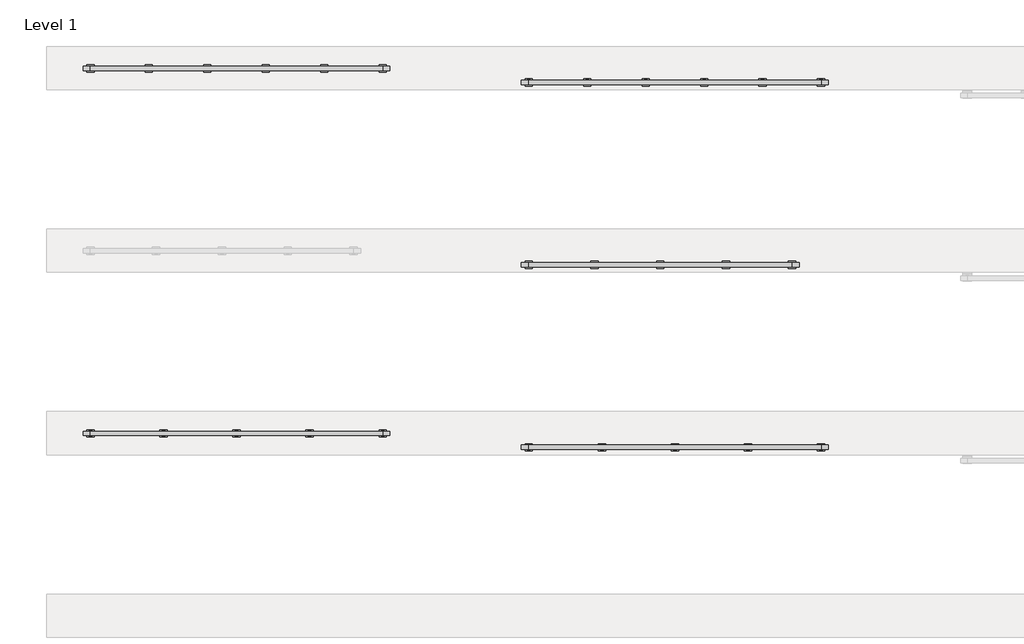
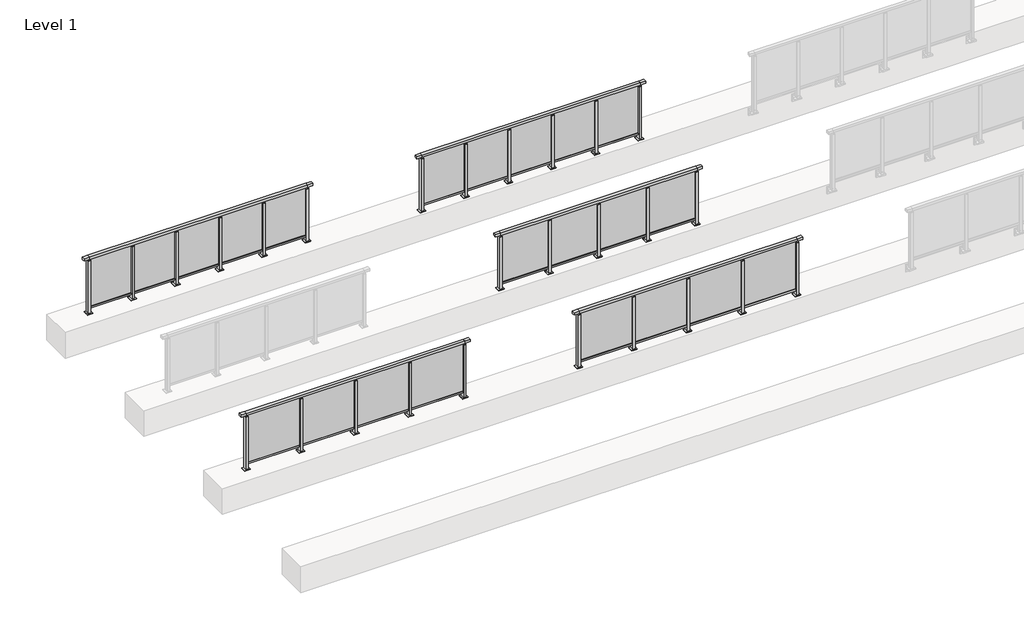
# One storey, part 24 of 37: 5 railings.
"""IFC4 building model written with IfcOpenShell, lengths in millimetres."""

from ifc_helpers import new_model, si_unit, frame, origin, origin_with_axes, place, context, project, spatial, polyline, outline, extrude, faceted_brep, element, save

model = new_model("IFC4")

# Units and contexts
model_context = context("Model", 3, world=origin())
ifc_project = project(units=[si_unit("LENGTHUNIT", "METRE", prefix="MILLI")], contexts=[model_context])

# Site, building, storey
site = spatial("IfcSite", under=ifc_project)
building = spatial("IfcBuilding", under=site)
storey = spatial("IfcBuildingStorey", under=building, Name="Level 1", Elevation=0.0)

# Railings
placement = place(None, origin())
element("IfcRailing", 1, at=placement, inside=storey, context=model_context, shape_type="SolidModel", body=[
    faceted_brep([(30000.0, 32720.1846828, 1055.0), (30000.0, 32720.1846828, 1100.0), (34000.0, 32720.1846828, 1100.0), (34000.0, 32720.1846828, 1055.0), (30000.0, 32660.1846828, 1055.0), (34000.0, 32660.1846828, 1055.0), (30000.0, 32660.1846828, 1100.0), (34000.0, 32660.1846828, 1100.0), (29900.0, 32720.1846828, 1100.0), (29900.0, 32720.1846828, 1055.0), (29900.0, 32660.1846828, 1055.0), (29900.0, 32660.1846828, 1100.0), (34100.0, 32720.1846828, 1100.0), (34100.0, 32660.1846828, 1100.0), (34100.0, 32660.1846828, 1055.0), (34100.0, 32720.1846828, 1055.0)], [[[0, 1, 2, 3]], [[4, 0, 3, 5]], [[6, 4, 5, 7]], [[1, 6, 7, 2]], [[8, 9, 10, 11]], [[9, 8, 1, 0]], [[10, 9, 0, 4]], [[11, 10, 4, 6]], [[8, 11, 6, 1]], [[12, 13, 14, 15]], [[3, 2, 12, 15]], [[5, 3, 15, 14]], [[7, 5, 14, 13]], [[2, 7, 13, 12]]]),
    extrude(outline(polyline([(30000.0, 32672.6846828), (30000.0, 32707.6846828), (34000.0, 32707.6846828), (34000.0, 32672.6846828), (30000.0, 32672.6846828)])), frame((0.0, 0.0, 95.0), z_axis=(0.0, 0.0, 1.0), x_axis=(1.0, 0.0, 0.0)), (0.0, 0.0, 1.0), 30.0),
    extrude(outline(polyline([(33010.0, 32690.9598727), (33990.0, 32690.9598727), (33990.0, 32680.9598727), (33010.0, 32680.9598727), (33010.0, 32690.9598727)])), frame((0.0, 0.0, 125.0), z_axis=(0.0, 0.0, 1.0), x_axis=(1.0, 0.0, 0.0)), (0.0, 0.0, 1.0), 930.0),
    extrude(outline(polyline([(33010.0, 32680.1846828), (32990.0, 32680.1846828), (32990.0, 32700.1846828), (33010.0, 32700.1846828), (33010.0, 32680.1846828)])), frame((0.0, 0.0, 1035.0), z_axis=(0.0, 0.0, 1.0), x_axis=(1.0, 0.0, 0.0)), (0.0, 0.0, 1.0), 20.0),
    extrude(outline(polyline([(33022.5, 32657.6846828), (32977.5, 32657.6846828), (32977.5, 32722.6846828), (33022.5, 32722.6846828), (33022.5, 32657.6846828)])), frame((0.0, 0.0, 1027.0), z_axis=(0.0, 0.0, 1.0), x_axis=(1.0, 0.0, 0.0)), (0.0, 0.0, 1.0), 8.0),
    extrude(outline(polyline([(33050.0, 32640.1846828), (32950.0, 32640.1846828), (32950.0, 32740.1846828), (33050.0, 32740.1846828), (33050.0, 32640.1846828)])), origin_with_axes(), (0.0, 0.0, 1.0), 12.0),
    extrude(outline(polyline([(33022.5, 32657.6846828), (32977.5, 32657.6846828), (32977.5, 32722.6846828), (33022.5, 32722.6846828), (33022.5, 32657.6846828)])), frame((0.0, 0.0, 12.0), z_axis=(0.0, 0.0, 1.0), x_axis=(1.0, 0.0, 0.0)), (0.0, 0.0, 1.0), 1015.0),
    extrude(outline(polyline([(32010.0, 32690.9598727), (32990.0, 32690.9598727), (32990.0, 32680.9598727), (32010.0, 32680.9598727), (32010.0, 32690.9598727)])), frame((0.0, 0.0, 125.0), z_axis=(0.0, 0.0, 1.0), x_axis=(1.0, 0.0, 0.0)), (0.0, 0.0, 1.0), 930.0),
    extrude(outline(polyline([(32010.0, 32680.1846828), (31990.0, 32680.1846828), (31990.0, 32700.1846828), (32010.0, 32700.1846828), (32010.0, 32680.1846828)])), frame((0.0, 0.0, 1035.0), z_axis=(0.0, 0.0, 1.0), x_axis=(1.0, 0.0, 0.0)), (0.0, 0.0, 1.0), 20.0),
    extrude(outline(polyline([(32022.5, 32657.6846828), (31977.5, 32657.6846828), (31977.5, 32722.6846828), (32022.5, 32722.6846828), (32022.5, 32657.6846828)])), frame((0.0, 0.0, 1027.0), z_axis=(0.0, 0.0, 1.0), x_axis=(1.0, 0.0, 0.0)), (0.0, 0.0, 1.0), 8.0),
    extrude(outline(polyline([(32050.0, 32640.1846828), (31950.0, 32640.1846828), (31950.0, 32740.1846828), (32050.0, 32740.1846828), (32050.0, 32640.1846828)])), origin_with_axes(), (0.0, 0.0, 1.0), 12.0),
    extrude(outline(polyline([(32022.5, 32657.6846828), (31977.5, 32657.6846828), (31977.5, 32722.6846828), (32022.5, 32722.6846828), (32022.5, 32657.6846828)])), frame((0.0, 0.0, 12.0), z_axis=(0.0, 0.0, 1.0), x_axis=(1.0, 0.0, 0.0)), (0.0, 0.0, 1.0), 1015.0),
    extrude(outline(polyline([(31010.0, 32690.9598727), (31990.0, 32690.9598727), (31990.0, 32680.9598727), (31010.0, 32680.9598727), (31010.0, 32690.9598727)])), frame((0.0, 0.0, 125.0), z_axis=(0.0, 0.0, 1.0), x_axis=(1.0, 0.0, 0.0)), (0.0, 0.0, 1.0), 930.0),
    extrude(outline(polyline([(31010.0, 32680.1846828), (30990.0, 32680.1846828), (30990.0, 32700.1846828), (31010.0, 32700.1846828), (31010.0, 32680.1846828)])), frame((0.0, 0.0, 1035.0), z_axis=(0.0, 0.0, 1.0), x_axis=(1.0, 0.0, 0.0)), (0.0, 0.0, 1.0), 20.0),
    extrude(outline(polyline([(31022.5, 32657.6846828), (30977.5, 32657.6846828), (30977.5, 32722.6846828), (31022.5, 32722.6846828), (31022.5, 32657.6846828)])), frame((0.0, 0.0, 1027.0), z_axis=(0.0, 0.0, 1.0), x_axis=(1.0, 0.0, 0.0)), (0.0, 0.0, 1.0), 8.0),
    extrude(outline(polyline([(31050.0, 32640.1846828), (30950.0, 32640.1846828), (30950.0, 32740.1846828), (31050.0, 32740.1846828), (31050.0, 32640.1846828)])), origin_with_axes(), (0.0, 0.0, 1.0), 12.0),
    extrude(outline(polyline([(31022.5, 32657.6846828), (30977.5, 32657.6846828), (30977.5, 32722.6846828), (31022.5, 32722.6846828), (31022.5, 32657.6846828)])), frame((0.0, 0.0, 12.0), z_axis=(0.0, 0.0, 1.0), x_axis=(1.0, 0.0, 0.0)), (0.0, 0.0, 1.0), 1015.0),
    extrude(outline(polyline([(30010.0, 32690.9598727), (30990.0, 32690.9598727), (30990.0, 32680.9598727), (30010.0, 32680.9598727), (30010.0, 32690.9598727)])), frame((0.0, 0.0, 125.0), z_axis=(0.0, 0.0, 1.0), x_axis=(1.0, 0.0, 0.0)), (0.0, 0.0, 1.0), 930.0),
    extrude(outline(polyline([(34010.0, 32680.1846828), (33990.0, 32680.1846828), (33990.0, 32700.1846828), (34010.0, 32700.1846828), (34010.0, 32680.1846828)])), frame((0.0, 0.0, 1035.0), z_axis=(0.0, 0.0, 1.0), x_axis=(1.0, 0.0, 0.0)), (0.0, 0.0, 1.0), 20.0),
    extrude(outline(polyline([(34022.5, 32657.6846828), (33977.5, 32657.6846828), (33977.5, 32722.6846828), (34022.5, 32722.6846828), (34022.5, 32657.6846828)])), frame((0.0, 0.0, 1027.0), z_axis=(0.0, 0.0, 1.0), x_axis=(1.0, 0.0, 0.0)), (0.0, 0.0, 1.0), 8.0),
    extrude(outline(polyline([(34050.0, 32640.1846828), (33950.0, 32640.1846828), (33950.0, 32740.1846828), (34050.0, 32740.1846828), (34050.0, 32640.1846828)])), origin_with_axes(), (0.0, 0.0, 1.0), 12.0),
    extrude(outline(polyline([(34022.5, 32657.6846828), (33977.5, 32657.6846828), (33977.5, 32722.6846828), (34022.5, 32722.6846828), (34022.5, 32657.6846828)])), frame((0.0, 0.0, 12.0), z_axis=(0.0, 0.0, 1.0), x_axis=(1.0, 0.0, 0.0)), (0.0, 0.0, 1.0), 1015.0),
    extrude(outline(polyline([(30010.0, 32680.1846828), (29990.0, 32680.1846828), (29990.0, 32700.1846828), (30010.0, 32700.1846828), (30010.0, 32680.1846828)])), frame((0.0, 0.0, 1035.0), z_axis=(0.0, 0.0, 1.0), x_axis=(1.0, 0.0, 0.0)), (0.0, 0.0, 1.0), 20.0),
    extrude(outline(polyline([(30022.5, 32657.6846828), (29977.5, 32657.6846828), (29977.5, 32722.6846828), (30022.5, 32722.6846828), (30022.5, 32657.6846828)])), frame((0.0, 0.0, 1027.0), z_axis=(0.0, 0.0, 1.0), x_axis=(1.0, 0.0, 0.0)), (0.0, 0.0, 1.0), 8.0),
    extrude(outline(polyline([(30050.0, 32640.1846828), (29950.0, 32640.1846828), (29950.0, 32740.1846828), (30050.0, 32740.1846828), (30050.0, 32640.1846828)])), origin_with_axes(), (0.0, 0.0, 1.0), 12.0),
    extrude(outline(polyline([(30022.5, 32657.6846828), (29977.5, 32657.6846828), (29977.5, 32722.6846828), (30022.5, 32722.6846828), (30022.5, 32657.6846828)])), frame((0.0, 0.0, 12.0), z_axis=(0.0, 0.0, 1.0), x_axis=(1.0, 0.0, 0.0)), (0.0, 0.0, 1.0), 1015.0),
])
element("IfcRailing", 2, at=placement, inside=storey, context=model_context, shape_type="SolidModel", body=[
    faceted_brep([(36000.0, 32530.1846828, 1055.0), (36000.0, 32530.1846828, 1100.0), (40000.0, 32530.1846828, 1100.0), (40000.0, 32530.1846828, 1055.0), (36000.0, 32470.1846828, 1055.0), (40000.0, 32470.1846828, 1055.0), (36000.0, 32470.1846828, 1100.0), (40000.0, 32470.1846828, 1100.0), (35900.0, 32530.1846828, 1100.0), (35900.0, 32530.1846828, 1055.0), (35900.0, 32470.1846828, 1055.0), (35900.0, 32470.1846828, 1100.0), (40100.0, 32530.1846828, 1100.0), (40100.0, 32470.1846828, 1100.0), (40100.0, 32470.1846828, 1055.0), (40100.0, 32530.1846828, 1055.0)], [[[0, 1, 2, 3]], [[4, 0, 3, 5]], [[6, 4, 5, 7]], [[1, 6, 7, 2]], [[8, 9, 10, 11]], [[9, 8, 1, 0]], [[10, 9, 0, 4]], [[11, 10, 4, 6]], [[8, 11, 6, 1]], [[12, 13, 14, 15]], [[3, 2, 12, 15]], [[5, 3, 15, 14]], [[7, 5, 14, 13]], [[2, 7, 13, 12]]]),
    extrude(outline(polyline([(36000.0, 32482.6846828), (36000.0, 32517.6846828), (40000.0, 32517.6846828), (40000.0, 32482.6846828), (36000.0, 32482.6846828)])), frame((0.0, 0.0, 95.0), z_axis=(0.0, 0.0, 1.0), x_axis=(1.0, 0.0, 0.0)), (0.0, 0.0, 1.0), 30.0),
    extrude(outline(polyline([(39010.0, 32505.9598727), (39990.0, 32505.9598727), (39990.0, 32495.9598727), (39010.0, 32495.9598727), (39010.0, 32505.9598727)])), frame((0.0, 0.0, 125.0), z_axis=(0.0, 0.0, 1.0), x_axis=(1.0, 0.0, 0.0)), (0.0, 0.0, 1.0), 930.0),
    extrude(outline(polyline([(39010.0, 32490.1846828), (38990.0, 32490.1846828), (38990.0, 32510.1846828), (39010.0, 32510.1846828), (39010.0, 32490.1846828)])), frame((0.0, 0.0, 1035.0), z_axis=(0.0, 0.0, 1.0), x_axis=(1.0, 0.0, 0.0)), (0.0, 0.0, 1.0), 20.0),
    extrude(outline(polyline([(39022.5, 32467.6846828), (38977.5, 32467.6846828), (38977.5, 32532.6846828), (39022.5, 32532.6846828), (39022.5, 32467.6846828)])), frame((0.0, 0.0, 1027.0), z_axis=(0.0, 0.0, 1.0), x_axis=(1.0, 0.0, 0.0)), (0.0, 0.0, 1.0), 8.0),
    extrude(outline(polyline([(39050.0, 32450.1846828), (38950.0, 32450.1846828), (38950.0, 32550.1846828), (39050.0, 32550.1846828), (39050.0, 32450.1846828)])), origin_with_axes(), (0.0, 0.0, 1.0), 12.0),
    extrude(outline(polyline([(39022.5, 32467.6846828), (38977.5, 32467.6846828), (38977.5, 32532.6846828), (39022.5, 32532.6846828), (39022.5, 32467.6846828)])), frame((0.0, 0.0, 12.0), z_axis=(0.0, 0.0, 1.0), x_axis=(1.0, 0.0, 0.0)), (0.0, 0.0, 1.0), 1015.0),
    extrude(outline(polyline([(38010.0, 32505.9598727), (38990.0, 32505.9598727), (38990.0, 32495.9598727), (38010.0, 32495.9598727), (38010.0, 32505.9598727)])), frame((0.0, 0.0, 125.0), z_axis=(0.0, 0.0, 1.0), x_axis=(1.0, 0.0, 0.0)), (0.0, 0.0, 1.0), 930.0),
    extrude(outline(polyline([(38010.0, 32490.1846828), (37990.0, 32490.1846828), (37990.0, 32510.1846828), (38010.0, 32510.1846828), (38010.0, 32490.1846828)])), frame((0.0, 0.0, 1035.0), z_axis=(0.0, 0.0, 1.0), x_axis=(1.0, 0.0, 0.0)), (0.0, 0.0, 1.0), 20.0),
    extrude(outline(polyline([(38022.5, 32467.6846828), (37977.5, 32467.6846828), (37977.5, 32532.6846828), (38022.5, 32532.6846828), (38022.5, 32467.6846828)])), frame((0.0, 0.0, 1027.0), z_axis=(0.0, 0.0, 1.0), x_axis=(1.0, 0.0, 0.0)), (0.0, 0.0, 1.0), 8.0),
    extrude(outline(polyline([(38050.0, 32450.1846828), (37950.0, 32450.1846828), (37950.0, 32550.1846828), (38050.0, 32550.1846828), (38050.0, 32450.1846828)])), origin_with_axes(), (0.0, 0.0, 1.0), 12.0),
    extrude(outline(polyline([(38022.5, 32467.6846828), (37977.5, 32467.6846828), (37977.5, 32532.6846828), (38022.5, 32532.6846828), (38022.5, 32467.6846828)])), frame((0.0, 0.0, 12.0), z_axis=(0.0, 0.0, 1.0), x_axis=(1.0, 0.0, 0.0)), (0.0, 0.0, 1.0), 1015.0),
    extrude(outline(polyline([(37010.0, 32505.9598727), (37990.0, 32505.9598727), (37990.0, 32495.9598727), (37010.0, 32495.9598727), (37010.0, 32505.9598727)])), frame((0.0, 0.0, 125.0), z_axis=(0.0, 0.0, 1.0), x_axis=(1.0, 0.0, 0.0)), (0.0, 0.0, 1.0), 930.0),
    extrude(outline(polyline([(37010.0, 32490.1846828), (36990.0, 32490.1846828), (36990.0, 32510.1846828), (37010.0, 32510.1846828), (37010.0, 32490.1846828)])), frame((0.0, 0.0, 1035.0), z_axis=(0.0, 0.0, 1.0), x_axis=(1.0, 0.0, 0.0)), (0.0, 0.0, 1.0), 20.0),
    extrude(outline(polyline([(37022.5, 32467.6846828), (36977.5, 32467.6846828), (36977.5, 32532.6846828), (37022.5, 32532.6846828), (37022.5, 32467.6846828)])), frame((0.0, 0.0, 1027.0), z_axis=(0.0, 0.0, 1.0), x_axis=(1.0, 0.0, 0.0)), (0.0, 0.0, 1.0), 8.0),
    extrude(outline(polyline([(37050.0, 32450.1846828), (36950.0, 32450.1846828), (36950.0, 32550.1846828), (37050.0, 32550.1846828), (37050.0, 32450.1846828)])), origin_with_axes(), (0.0, 0.0, 1.0), 12.0),
    extrude(outline(polyline([(37022.5, 32467.6846828), (36977.5, 32467.6846828), (36977.5, 32532.6846828), (37022.5, 32532.6846828), (37022.5, 32467.6846828)])), frame((0.0, 0.0, 12.0), z_axis=(0.0, 0.0, 1.0), x_axis=(1.0, 0.0, 0.0)), (0.0, 0.0, 1.0), 1015.0),
    extrude(outline(polyline([(36010.0, 32505.9598727), (36990.0, 32505.9598727), (36990.0, 32495.9598727), (36010.0, 32495.9598727), (36010.0, 32505.9598727)])), frame((0.0, 0.0, 125.0), z_axis=(0.0, 0.0, 1.0), x_axis=(1.0, 0.0, 0.0)), (0.0, 0.0, 1.0), 930.0),
    extrude(outline(polyline([(40010.0, 32490.1846828), (39990.0, 32490.1846828), (39990.0, 32510.1846828), (40010.0, 32510.1846828), (40010.0, 32490.1846828)])), frame((0.0, 0.0, 1035.0), z_axis=(0.0, 0.0, 1.0), x_axis=(1.0, 0.0, 0.0)), (0.0, 0.0, 1.0), 20.0),
    extrude(outline(polyline([(40022.5, 32467.6846828), (39977.5, 32467.6846828), (39977.5, 32532.6846828), (40022.5, 32532.6846828), (40022.5, 32467.6846828)])), frame((0.0, 0.0, 1027.0), z_axis=(0.0, 0.0, 1.0), x_axis=(1.0, 0.0, 0.0)), (0.0, 0.0, 1.0), 8.0),
    extrude(outline(polyline([(40050.0, 32450.1846828), (39950.0, 32450.1846828), (39950.0, 32550.1846828), (40050.0, 32550.1846828), (40050.0, 32450.1846828)])), origin_with_axes(), (0.0, 0.0, 1.0), 12.0),
    extrude(outline(polyline([(40022.5, 32467.6846828), (39977.5, 32467.6846828), (39977.5, 32532.6846828), (40022.5, 32532.6846828), (40022.5, 32467.6846828)])), frame((0.0, 0.0, 12.0), z_axis=(0.0, 0.0, 1.0), x_axis=(1.0, 0.0, 0.0)), (0.0, 0.0, 1.0), 1015.0),
    extrude(outline(polyline([(36010.0, 32490.1846828), (35990.0, 32490.1846828), (35990.0, 32510.1846828), (36010.0, 32510.1846828), (36010.0, 32490.1846828)])), frame((0.0, 0.0, 1035.0), z_axis=(0.0, 0.0, 1.0), x_axis=(1.0, 0.0, 0.0)), (0.0, 0.0, 1.0), 20.0),
    extrude(outline(polyline([(36022.5, 32467.6846828), (35977.5, 32467.6846828), (35977.5, 32532.6846828), (36022.5, 32532.6846828), (36022.5, 32467.6846828)])), frame((0.0, 0.0, 1027.0), z_axis=(0.0, 0.0, 1.0), x_axis=(1.0, 0.0, 0.0)), (0.0, 0.0, 1.0), 8.0),
    extrude(outline(polyline([(36050.0, 32450.1846828), (35950.0, 32450.1846828), (35950.0, 32550.1846828), (36050.0, 32550.1846828), (36050.0, 32450.1846828)])), origin_with_axes(), (0.0, 0.0, 1.0), 12.0),
    extrude(outline(polyline([(36022.5, 32467.6846828), (35977.5, 32467.6846828), (35977.5, 32532.6846828), (36022.5, 32532.6846828), (36022.5, 32467.6846828)])), frame((0.0, 0.0, 12.0), z_axis=(0.0, 0.0, 1.0), x_axis=(1.0, 0.0, 0.0)), (0.0, 0.0, 1.0), 1015.0),
])
element("IfcRailing", 3, at=placement, inside=storey, context=model_context, shape_type="SolidModel", body=[
    faceted_brep([(36000.0, 35030.1846828, 1055.0), (36000.0, 35030.1846828, 1100.0), (39600.0, 35030.1846828, 1100.0), (39600.0, 35030.1846828, 1055.0), (36000.0, 34970.1846828, 1055.0), (39600.0, 34970.1846828, 1055.0), (36000.0, 34970.1846828, 1100.0), (39600.0, 34970.1846828, 1100.0), (35900.0, 35030.1846828, 1100.0), (35900.0, 35030.1846828, 1055.0), (35900.0, 34970.1846828, 1055.0), (35900.0, 34970.1846828, 1100.0), (39700.0, 35030.1846828, 1100.0), (39700.0, 34970.1846828, 1100.0), (39700.0, 34970.1846828, 1055.0), (39700.0, 35030.1846828, 1055.0)], [[[0, 1, 2, 3]], [[4, 0, 3, 5]], [[6, 4, 5, 7]], [[1, 6, 7, 2]], [[8, 9, 10, 11]], [[9, 8, 1, 0]], [[10, 9, 0, 4]], [[11, 10, 4, 6]], [[8, 11, 6, 1]], [[12, 13, 14, 15]], [[3, 2, 12, 15]], [[5, 3, 15, 14]], [[7, 5, 14, 13]], [[2, 7, 13, 12]]]),
    extrude(outline(polyline([(36000.0, 34982.6846828), (36000.0, 35017.6846828), (39600.0, 35017.6846828), (39600.0, 34982.6846828), (36000.0, 34982.6846828)])), frame((0.0, 0.0, 95.0), z_axis=(0.0, 0.0, 1.0), x_axis=(1.0, 0.0, 0.0)), (0.0, 0.0, 1.0), 30.0),
    extrude(outline(polyline([(38710.0, 35005.9598727), (39590.0, 35005.9598727), (39590.0, 34995.9598727), (38710.0, 34995.9598727), (38710.0, 35005.9598727)])), frame((0.0, 0.0, 125.0), z_axis=(0.0, 0.0, 1.0), x_axis=(1.0, 0.0, 0.0)), (0.0, 0.0, 1.0), 930.0),
    extrude(outline(polyline([(38710.0, 34990.1846828), (38690.0, 34990.1846828), (38690.0, 35010.1846828), (38710.0, 35010.1846828), (38710.0, 34990.1846828)])), frame((0.0, 0.0, 1035.0), z_axis=(0.0, 0.0, 1.0), x_axis=(1.0, 0.0, 0.0)), (0.0, 0.0, 1.0), 20.0),
    extrude(outline(polyline([(38722.5, 34967.6846828), (38677.5, 34967.6846828), (38677.5, 35032.6846828), (38722.5, 35032.6846828), (38722.5, 34967.6846828)])), frame((0.0, 0.0, 1027.0), z_axis=(0.0, 0.0, 1.0), x_axis=(1.0, 0.0, 0.0)), (0.0, 0.0, 1.0), 8.0),
    extrude(outline(polyline([(38750.0, 34950.1846828), (38650.0, 34950.1846828), (38650.0, 35050.1846828), (38750.0, 35050.1846828), (38750.0, 34950.1846828)])), origin_with_axes(), (0.0, 0.0, 1.0), 12.0),
    extrude(outline(polyline([(38722.5, 34967.6846828), (38677.5, 34967.6846828), (38677.5, 35032.6846828), (38722.5, 35032.6846828), (38722.5, 34967.6846828)])), frame((0.0, 0.0, 12.0), z_axis=(0.0, 0.0, 1.0), x_axis=(1.0, 0.0, 0.0)), (0.0, 0.0, 1.0), 1015.0),
    extrude(outline(polyline([(37810.0, 35005.9598727), (38690.0, 35005.9598727), (38690.0, 34995.9598727), (37810.0, 34995.9598727), (37810.0, 35005.9598727)])), frame((0.0, 0.0, 125.0), z_axis=(0.0, 0.0, 1.0), x_axis=(1.0, 0.0, 0.0)), (0.0, 0.0, 1.0), 930.0),
    extrude(outline(polyline([(37810.0, 34990.1846828), (37790.0, 34990.1846828), (37790.0, 35010.1846828), (37810.0, 35010.1846828), (37810.0, 34990.1846828)])), frame((0.0, 0.0, 1035.0), z_axis=(0.0, 0.0, 1.0), x_axis=(1.0, 0.0, 0.0)), (0.0, 0.0, 1.0), 20.0),
    extrude(outline(polyline([(37822.5, 34967.6846828), (37777.5, 34967.6846828), (37777.5, 35032.6846828), (37822.5, 35032.6846828), (37822.5, 34967.6846828)])), frame((0.0, 0.0, 1027.0), z_axis=(0.0, 0.0, 1.0), x_axis=(1.0, 0.0, 0.0)), (0.0, 0.0, 1.0), 8.0),
    extrude(outline(polyline([(37850.0, 34950.1846828), (37750.0, 34950.1846828), (37750.0, 35050.1846828), (37850.0, 35050.1846828), (37850.0, 34950.1846828)])), origin_with_axes(), (0.0, 0.0, 1.0), 12.0),
    extrude(outline(polyline([(37822.5, 34967.6846828), (37777.5, 34967.6846828), (37777.5, 35032.6846828), (37822.5, 35032.6846828), (37822.5, 34967.6846828)])), frame((0.0, 0.0, 12.0), z_axis=(0.0, 0.0, 1.0), x_axis=(1.0, 0.0, 0.0)), (0.0, 0.0, 1.0), 1015.0),
    extrude(outline(polyline([(36910.0, 35005.9598727), (37790.0, 35005.9598727), (37790.0, 34995.9598727), (36910.0, 34995.9598727), (36910.0, 35005.9598727)])), frame((0.0, 0.0, 125.0), z_axis=(0.0, 0.0, 1.0), x_axis=(1.0, 0.0, 0.0)), (0.0, 0.0, 1.0), 930.0),
    extrude(outline(polyline([(36910.0, 34990.1846828), (36890.0, 34990.1846828), (36890.0, 35010.1846828), (36910.0, 35010.1846828), (36910.0, 34990.1846828)])), frame((0.0, 0.0, 1035.0), z_axis=(0.0, 0.0, 1.0), x_axis=(1.0, 0.0, 0.0)), (0.0, 0.0, 1.0), 20.0),
    extrude(outline(polyline([(36922.5, 34967.6846828), (36877.5, 34967.6846828), (36877.5, 35032.6846828), (36922.5, 35032.6846828), (36922.5, 34967.6846828)])), frame((0.0, 0.0, 1027.0), z_axis=(0.0, 0.0, 1.0), x_axis=(1.0, 0.0, 0.0)), (0.0, 0.0, 1.0), 8.0),
    extrude(outline(polyline([(36950.0, 34950.1846828), (36850.0, 34950.1846828), (36850.0, 35050.1846828), (36950.0, 35050.1846828), (36950.0, 34950.1846828)])), origin_with_axes(), (0.0, 0.0, 1.0), 12.0),
    extrude(outline(polyline([(36922.5, 34967.6846828), (36877.5, 34967.6846828), (36877.5, 35032.6846828), (36922.5, 35032.6846828), (36922.5, 34967.6846828)])), frame((0.0, 0.0, 12.0), z_axis=(0.0, 0.0, 1.0), x_axis=(1.0, 0.0, 0.0)), (0.0, 0.0, 1.0), 1015.0),
    extrude(outline(polyline([(36010.0, 35005.9598727), (36890.0, 35005.9598727), (36890.0, 34995.9598727), (36010.0, 34995.9598727), (36010.0, 35005.9598727)])), frame((0.0, 0.0, 125.0), z_axis=(0.0, 0.0, 1.0), x_axis=(1.0, 0.0, 0.0)), (0.0, 0.0, 1.0), 930.0),
    extrude(outline(polyline([(39610.0, 34990.1846828), (39590.0, 34990.1846828), (39590.0, 35010.1846828), (39610.0, 35010.1846828), (39610.0, 34990.1846828)])), frame((0.0, 0.0, 1035.0), z_axis=(0.0, 0.0, 1.0), x_axis=(1.0, 0.0, 0.0)), (0.0, 0.0, 1.0), 20.0),
    extrude(outline(polyline([(39622.5, 34967.6846828), (39577.5, 34967.6846828), (39577.5, 35032.6846828), (39622.5, 35032.6846828), (39622.5, 34967.6846828)])), frame((0.0, 0.0, 1027.0), z_axis=(0.0, 0.0, 1.0), x_axis=(1.0, 0.0, 0.0)), (0.0, 0.0, 1.0), 8.0),
    extrude(outline(polyline([(39650.0, 34950.1846828), (39550.0, 34950.1846828), (39550.0, 35050.1846828), (39650.0, 35050.1846828), (39650.0, 34950.1846828)])), origin_with_axes(), (0.0, 0.0, 1.0), 12.0),
    extrude(outline(polyline([(39622.5, 34967.6846828), (39577.5, 34967.6846828), (39577.5, 35032.6846828), (39622.5, 35032.6846828), (39622.5, 34967.6846828)])), frame((0.0, 0.0, 12.0), z_axis=(0.0, 0.0, 1.0), x_axis=(1.0, 0.0, 0.0)), (0.0, 0.0, 1.0), 1015.0),
    extrude(outline(polyline([(36010.0, 34990.1846828), (35990.0, 34990.1846828), (35990.0, 35010.1846828), (36010.0, 35010.1846828), (36010.0, 34990.1846828)])), frame((0.0, 0.0, 1035.0), z_axis=(0.0, 0.0, 1.0), x_axis=(1.0, 0.0, 0.0)), (0.0, 0.0, 1.0), 20.0),
    extrude(outline(polyline([(36022.5, 34967.6846828), (35977.5, 34967.6846828), (35977.5, 35032.6846828), (36022.5, 35032.6846828), (36022.5, 34967.6846828)])), frame((0.0, 0.0, 1027.0), z_axis=(0.0, 0.0, 1.0), x_axis=(1.0, 0.0, 0.0)), (0.0, 0.0, 1.0), 8.0),
    extrude(outline(polyline([(36050.0, 34950.1846828), (35950.0, 34950.1846828), (35950.0, 35050.1846828), (36050.0, 35050.1846828), (36050.0, 34950.1846828)])), origin_with_axes(), (0.0, 0.0, 1.0), 12.0),
    extrude(outline(polyline([(36022.5, 34967.6846828), (35977.5, 34967.6846828), (35977.5, 35032.6846828), (36022.5, 35032.6846828), (36022.5, 34967.6846828)])), frame((0.0, 0.0, 12.0), z_axis=(0.0, 0.0, 1.0), x_axis=(1.0, 0.0, 0.0)), (0.0, 0.0, 1.0), 1015.0),
])
element("IfcRailing", 4, at=placement, inside=storey, context=model_context, shape_type="SolidModel", body=[
    faceted_brep([(30000.0, 37720.1846828, 1055.0), (30000.0, 37720.1846828, 1100.0), (34000.0, 37720.1846828, 1100.0), (34000.0, 37720.1846828, 1055.0), (30000.0, 37660.1846828, 1055.0), (34000.0, 37660.1846828, 1055.0), (30000.0, 37660.1846828, 1100.0), (34000.0, 37660.1846828, 1100.0), (29900.0, 37720.1846828, 1100.0), (29900.0, 37720.1846828, 1055.0), (29900.0, 37660.1846828, 1055.0), (29900.0, 37660.1846828, 1100.0), (34100.0, 37720.1846828, 1100.0), (34100.0, 37660.1846828, 1100.0), (34100.0, 37660.1846828, 1055.0), (34100.0, 37720.1846828, 1055.0)], [[[0, 1, 2, 3]], [[4, 0, 3, 5]], [[6, 4, 5, 7]], [[1, 6, 7, 2]], [[8, 9, 10, 11]], [[9, 8, 1, 0]], [[10, 9, 0, 4]], [[11, 10, 4, 6]], [[8, 11, 6, 1]], [[12, 13, 14, 15]], [[3, 2, 12, 15]], [[5, 3, 15, 14]], [[7, 5, 14, 13]], [[2, 7, 13, 12]]]),
    extrude(outline(polyline([(30000.0, 37672.6846828), (30000.0, 37707.6846828), (34000.0, 37707.6846828), (34000.0, 37672.6846828), (30000.0, 37672.6846828)])), frame((0.0, 0.0, 95.0), z_axis=(0.0, 0.0, 1.0), x_axis=(1.0, 0.0, 0.0)), (0.0, 0.0, 1.0), 30.0),
    extrude(outline(polyline([(33210.0, 37695.9598727), (33990.0, 37695.9598727), (33990.0, 37685.9598727), (33210.0, 37685.9598727), (33210.0, 37695.9598727)])), frame((0.0, 0.0, 125.0), z_axis=(0.0, 0.0, 1.0), x_axis=(1.0, 0.0, 0.0)), (0.0, 0.0, 1.0), 930.0),
    extrude(outline(polyline([(33210.0, 37680.1846828), (33190.0, 37680.1846828), (33190.0, 37700.1846828), (33210.0, 37700.1846828), (33210.0, 37680.1846828)])), frame((0.0, 0.0, 1035.0), z_axis=(0.0, 0.0, 1.0), x_axis=(1.0, 0.0, 0.0)), (0.0, 0.0, 1.0), 20.0),
    extrude(outline(polyline([(33222.5, 37657.6846828), (33177.5, 37657.6846828), (33177.5, 37722.6846828), (33222.5, 37722.6846828), (33222.5, 37657.6846828)])), frame((0.0, 0.0, 1027.0), z_axis=(0.0, 0.0, 1.0), x_axis=(1.0, 0.0, 0.0)), (0.0, 0.0, 1.0), 8.0),
    extrude(outline(polyline([(33250.0, 37640.1846828), (33150.0, 37640.1846828), (33150.0, 37740.1846828), (33250.0, 37740.1846828), (33250.0, 37640.1846828)])), origin_with_axes(), (0.0, 0.0, 1.0), 12.0),
    extrude(outline(polyline([(33222.5, 37657.6846828), (33177.5, 37657.6846828), (33177.5, 37722.6846828), (33222.5, 37722.6846828), (33222.5, 37657.6846828)])), frame((0.0, 0.0, 12.0), z_axis=(0.0, 0.0, 1.0), x_axis=(1.0, 0.0, 0.0)), (0.0, 0.0, 1.0), 1015.0),
    extrude(outline(polyline([(32410.0, 37695.9598727), (33190.0, 37695.9598727), (33190.0, 37685.9598727), (32410.0, 37685.9598727), (32410.0, 37695.9598727)])), frame((0.0, 0.0, 125.0), z_axis=(0.0, 0.0, 1.0), x_axis=(1.0, 0.0, 0.0)), (0.0, 0.0, 1.0), 930.0),
    extrude(outline(polyline([(32410.0, 37680.1846828), (32390.0, 37680.1846828), (32390.0, 37700.1846828), (32410.0, 37700.1846828), (32410.0, 37680.1846828)])), frame((0.0, 0.0, 1035.0), z_axis=(0.0, 0.0, 1.0), x_axis=(1.0, 0.0, 0.0)), (0.0, 0.0, 1.0), 20.0),
    extrude(outline(polyline([(32422.5, 37657.6846828), (32377.5, 37657.6846828), (32377.5, 37722.6846828), (32422.5, 37722.6846828), (32422.5, 37657.6846828)])), frame((0.0, 0.0, 1027.0), z_axis=(0.0, 0.0, 1.0), x_axis=(1.0, 0.0, 0.0)), (0.0, 0.0, 1.0), 8.0),
    extrude(outline(polyline([(32450.0, 37640.1846828), (32350.0, 37640.1846828), (32350.0, 37740.1846828), (32450.0, 37740.1846828), (32450.0, 37640.1846828)])), origin_with_axes(), (0.0, 0.0, 1.0), 12.0),
    extrude(outline(polyline([(32422.5, 37657.6846828), (32377.5, 37657.6846828), (32377.5, 37722.6846828), (32422.5, 37722.6846828), (32422.5, 37657.6846828)])), frame((0.0, 0.0, 12.0), z_axis=(0.0, 0.0, 1.0), x_axis=(1.0, 0.0, 0.0)), (0.0, 0.0, 1.0), 1015.0),
    extrude(outline(polyline([(31610.0, 37695.9598727), (32390.0, 37695.9598727), (32390.0, 37685.9598727), (31610.0, 37685.9598727), (31610.0, 37695.9598727)])), frame((0.0, 0.0, 125.0), z_axis=(0.0, 0.0, 1.0), x_axis=(1.0, 0.0, 0.0)), (0.0, 0.0, 1.0), 930.0),
    extrude(outline(polyline([(31610.0, 37680.1846828), (31590.0, 37680.1846828), (31590.0, 37700.1846828), (31610.0, 37700.1846828), (31610.0, 37680.1846828)])), frame((0.0, 0.0, 1035.0), z_axis=(0.0, 0.0, 1.0), x_axis=(1.0, 0.0, 0.0)), (0.0, 0.0, 1.0), 20.0),
    extrude(outline(polyline([(31622.5, 37657.6846828), (31577.5, 37657.6846828), (31577.5, 37722.6846828), (31622.5, 37722.6846828), (31622.5, 37657.6846828)])), frame((0.0, 0.0, 1027.0), z_axis=(0.0, 0.0, 1.0), x_axis=(1.0, 0.0, 0.0)), (0.0, 0.0, 1.0), 8.0),
    extrude(outline(polyline([(31650.0, 37640.1846828), (31550.0, 37640.1846828), (31550.0, 37740.1846828), (31650.0, 37740.1846828), (31650.0, 37640.1846828)])), origin_with_axes(), (0.0, 0.0, 1.0), 12.0),
    extrude(outline(polyline([(31622.5, 37657.6846828), (31577.5, 37657.6846828), (31577.5, 37722.6846828), (31622.5, 37722.6846828), (31622.5, 37657.6846828)])), frame((0.0, 0.0, 12.0), z_axis=(0.0, 0.0, 1.0), x_axis=(1.0, 0.0, 0.0)), (0.0, 0.0, 1.0), 1015.0),
    extrude(outline(polyline([(30810.0, 37695.9598727), (31590.0, 37695.9598727), (31590.0, 37685.9598727), (30810.0, 37685.9598727), (30810.0, 37695.9598727)])), frame((0.0, 0.0, 125.0), z_axis=(0.0, 0.0, 1.0), x_axis=(1.0, 0.0, 0.0)), (0.0, 0.0, 1.0), 930.0),
    extrude(outline(polyline([(30810.0, 37680.1846828), (30790.0, 37680.1846828), (30790.0, 37700.1846828), (30810.0, 37700.1846828), (30810.0, 37680.1846828)])), frame((0.0, 0.0, 1035.0), z_axis=(0.0, 0.0, 1.0), x_axis=(1.0, 0.0, 0.0)), (0.0, 0.0, 1.0), 20.0),
    extrude(outline(polyline([(30822.5, 37657.6846828), (30777.5, 37657.6846828), (30777.5, 37722.6846828), (30822.5, 37722.6846828), (30822.5, 37657.6846828)])), frame((0.0, 0.0, 1027.0), z_axis=(0.0, 0.0, 1.0), x_axis=(1.0, 0.0, 0.0)), (0.0, 0.0, 1.0), 8.0),
    extrude(outline(polyline([(30850.0, 37640.1846828), (30750.0, 37640.1846828), (30750.0, 37740.1846828), (30850.0, 37740.1846828), (30850.0, 37640.1846828)])), origin_with_axes(), (0.0, 0.0, 1.0), 12.0),
    extrude(outline(polyline([(30822.5, 37657.6846828), (30777.5, 37657.6846828), (30777.5, 37722.6846828), (30822.5, 37722.6846828), (30822.5, 37657.6846828)])), frame((0.0, 0.0, 12.0), z_axis=(0.0, 0.0, 1.0), x_axis=(1.0, 0.0, 0.0)), (0.0, 0.0, 1.0), 1015.0),
    extrude(outline(polyline([(30010.0, 37695.9598727), (30790.0, 37695.9598727), (30790.0, 37685.9598727), (30010.0, 37685.9598727), (30010.0, 37695.9598727)])), frame((0.0, 0.0, 125.0), z_axis=(0.0, 0.0, 1.0), x_axis=(1.0, 0.0, 0.0)), (0.0, 0.0, 1.0), 930.0),
    extrude(outline(polyline([(34010.0, 37680.1846828), (33990.0, 37680.1846828), (33990.0, 37700.1846828), (34010.0, 37700.1846828), (34010.0, 37680.1846828)])), frame((0.0, 0.0, 1035.0), z_axis=(0.0, 0.0, 1.0), x_axis=(1.0, 0.0, 0.0)), (0.0, 0.0, 1.0), 20.0),
    extrude(outline(polyline([(34022.5, 37657.6846828), (33977.5, 37657.6846828), (33977.5, 37722.6846828), (34022.5, 37722.6846828), (34022.5, 37657.6846828)])), frame((0.0, 0.0, 1027.0), z_axis=(0.0, 0.0, 1.0), x_axis=(1.0, 0.0, 0.0)), (0.0, 0.0, 1.0), 8.0),
    extrude(outline(polyline([(34050.0, 37640.1846828), (33950.0, 37640.1846828), (33950.0, 37740.1846828), (34050.0, 37740.1846828), (34050.0, 37640.1846828)])), origin_with_axes(), (0.0, 0.0, 1.0), 12.0),
    extrude(outline(polyline([(34022.5, 37657.6846828), (33977.5, 37657.6846828), (33977.5, 37722.6846828), (34022.5, 37722.6846828), (34022.5, 37657.6846828)])), frame((0.0, 0.0, 12.0), z_axis=(0.0, 0.0, 1.0), x_axis=(1.0, 0.0, 0.0)), (0.0, 0.0, 1.0), 1015.0),
    extrude(outline(polyline([(30010.0, 37680.1846828), (29990.0, 37680.1846828), (29990.0, 37700.1846828), (30010.0, 37700.1846828), (30010.0, 37680.1846828)])), frame((0.0, 0.0, 1035.0), z_axis=(0.0, 0.0, 1.0), x_axis=(1.0, 0.0, 0.0)), (0.0, 0.0, 1.0), 20.0),
    extrude(outline(polyline([(30022.5, 37657.6846828), (29977.5, 37657.6846828), (29977.5, 37722.6846828), (30022.5, 37722.6846828), (30022.5, 37657.6846828)])), frame((0.0, 0.0, 1027.0), z_axis=(0.0, 0.0, 1.0), x_axis=(1.0, 0.0, 0.0)), (0.0, 0.0, 1.0), 8.0),
    extrude(outline(polyline([(30050.0, 37640.1846828), (29950.0, 37640.1846828), (29950.0, 37740.1846828), (30050.0, 37740.1846828), (30050.0, 37640.1846828)])), origin_with_axes(), (0.0, 0.0, 1.0), 12.0),
    extrude(outline(polyline([(30022.5, 37657.6846828), (29977.5, 37657.6846828), (29977.5, 37722.6846828), (30022.5, 37722.6846828), (30022.5, 37657.6846828)])), frame((0.0, 0.0, 12.0), z_axis=(0.0, 0.0, 1.0), x_axis=(1.0, 0.0, 0.0)), (0.0, 0.0, 1.0), 1015.0),
])
element("IfcRailing", 5, at=placement, inside=storey, context=model_context, shape_type="SolidModel", body=[
    faceted_brep([(36000.0, 37530.1846828, 1055.0), (36000.0, 37530.1846828, 1100.0), (40000.0, 37530.1846828, 1100.0), (40000.0, 37530.1846828, 1055.0), (36000.0, 37470.1846828, 1055.0), (40000.0, 37470.1846828, 1055.0), (36000.0, 37470.1846828, 1100.0), (40000.0, 37470.1846828, 1100.0), (35900.0, 37530.1846828, 1100.0), (35900.0, 37530.1846828, 1055.0), (35900.0, 37470.1846828, 1055.0), (35900.0, 37470.1846828, 1100.0), (40100.0, 37530.1846828, 1100.0), (40100.0, 37470.1846828, 1100.0), (40100.0, 37470.1846828, 1055.0), (40100.0, 37530.1846828, 1055.0)], [[[0, 1, 2, 3]], [[4, 0, 3, 5]], [[6, 4, 5, 7]], [[1, 6, 7, 2]], [[8, 9, 10, 11]], [[9, 8, 1, 0]], [[10, 9, 0, 4]], [[11, 10, 4, 6]], [[8, 11, 6, 1]], [[12, 13, 14, 15]], [[3, 2, 12, 15]], [[5, 3, 15, 14]], [[7, 5, 14, 13]], [[2, 7, 13, 12]]]),
    extrude(outline(polyline([(36000.0, 37482.6846828), (36000.0, 37517.6846828), (40000.0, 37517.6846828), (40000.0, 37482.6846828), (36000.0, 37482.6846828)])), frame((0.0, 0.0, 95.0), z_axis=(0.0, 0.0, 1.0), x_axis=(1.0, 0.0, 0.0)), (0.0, 0.0, 1.0), 30.0),
    extrude(outline(polyline([(39210.0, 37505.9598727), (39990.0, 37505.9598727), (39990.0, 37495.9598727), (39210.0, 37495.9598727), (39210.0, 37505.9598727)])), frame((0.0, 0.0, 125.0), z_axis=(0.0, 0.0, 1.0), x_axis=(1.0, 0.0, 0.0)), (0.0, 0.0, 1.0), 930.0),
    extrude(outline(polyline([(39210.0, 37490.1846828), (39190.0, 37490.1846828), (39190.0, 37510.1846828), (39210.0, 37510.1846828), (39210.0, 37490.1846828)])), frame((0.0, 0.0, 1035.0), z_axis=(0.0, 0.0, 1.0), x_axis=(1.0, 0.0, 0.0)), (0.0, 0.0, 1.0), 20.0),
    extrude(outline(polyline([(39222.5, 37467.6846828), (39177.5, 37467.6846828), (39177.5, 37532.6846828), (39222.5, 37532.6846828), (39222.5, 37467.6846828)])), frame((0.0, 0.0, 1027.0), z_axis=(0.0, 0.0, 1.0), x_axis=(1.0, 0.0, 0.0)), (0.0, 0.0, 1.0), 8.0),
    extrude(outline(polyline([(39250.0, 37450.1846828), (39150.0, 37450.1846828), (39150.0, 37550.1846828), (39250.0, 37550.1846828), (39250.0, 37450.1846828)])), origin_with_axes(), (0.0, 0.0, 1.0), 12.0),
    extrude(outline(polyline([(39222.5, 37467.6846828), (39177.5, 37467.6846828), (39177.5, 37532.6846828), (39222.5, 37532.6846828), (39222.5, 37467.6846828)])), frame((0.0, 0.0, 12.0), z_axis=(0.0, 0.0, 1.0), x_axis=(1.0, 0.0, 0.0)), (0.0, 0.0, 1.0), 1015.0),
    extrude(outline(polyline([(38410.0, 37505.9598727), (39190.0, 37505.9598727), (39190.0, 37495.9598727), (38410.0, 37495.9598727), (38410.0, 37505.9598727)])), frame((0.0, 0.0, 125.0), z_axis=(0.0, 0.0, 1.0), x_axis=(1.0, 0.0, 0.0)), (0.0, 0.0, 1.0), 930.0),
    extrude(outline(polyline([(38410.0, 37490.1846828), (38390.0, 37490.1846828), (38390.0, 37510.1846828), (38410.0, 37510.1846828), (38410.0, 37490.1846828)])), frame((0.0, 0.0, 1035.0), z_axis=(0.0, 0.0, 1.0), x_axis=(1.0, 0.0, 0.0)), (0.0, 0.0, 1.0), 20.0),
    extrude(outline(polyline([(38422.5, 37467.6846828), (38377.5, 37467.6846828), (38377.5, 37532.6846828), (38422.5, 37532.6846828), (38422.5, 37467.6846828)])), frame((0.0, 0.0, 1027.0), z_axis=(0.0, 0.0, 1.0), x_axis=(1.0, 0.0, 0.0)), (0.0, 0.0, 1.0), 8.0),
    extrude(outline(polyline([(38450.0, 37450.1846828), (38350.0, 37450.1846828), (38350.0, 37550.1846828), (38450.0, 37550.1846828), (38450.0, 37450.1846828)])), origin_with_axes(), (0.0, 0.0, 1.0), 12.0),
    extrude(outline(polyline([(38422.5, 37467.6846828), (38377.5, 37467.6846828), (38377.5, 37532.6846828), (38422.5, 37532.6846828), (38422.5, 37467.6846828)])), frame((0.0, 0.0, 12.0), z_axis=(0.0, 0.0, 1.0), x_axis=(1.0, 0.0, 0.0)), (0.0, 0.0, 1.0), 1015.0),
    extrude(outline(polyline([(37610.0, 37505.9598727), (38390.0, 37505.9598727), (38390.0, 37495.9598727), (37610.0, 37495.9598727), (37610.0, 37505.9598727)])), frame((0.0, 0.0, 125.0), z_axis=(0.0, 0.0, 1.0), x_axis=(1.0, 0.0, 0.0)), (0.0, 0.0, 1.0), 930.0),
    extrude(outline(polyline([(37610.0, 37490.1846828), (37590.0, 37490.1846828), (37590.0, 37510.1846828), (37610.0, 37510.1846828), (37610.0, 37490.1846828)])), frame((0.0, 0.0, 1035.0), z_axis=(0.0, 0.0, 1.0), x_axis=(1.0, 0.0, 0.0)), (0.0, 0.0, 1.0), 20.0),
    extrude(outline(polyline([(37622.5, 37467.6846828), (37577.5, 37467.6846828), (37577.5, 37532.6846828), (37622.5, 37532.6846828), (37622.5, 37467.6846828)])), frame((0.0, 0.0, 1027.0), z_axis=(0.0, 0.0, 1.0), x_axis=(1.0, 0.0, 0.0)), (0.0, 0.0, 1.0), 8.0),
    extrude(outline(polyline([(37650.0, 37450.1846828), (37550.0, 37450.1846828), (37550.0, 37550.1846828), (37650.0, 37550.1846828), (37650.0, 37450.1846828)])), origin_with_axes(), (0.0, 0.0, 1.0), 12.0),
    extrude(outline(polyline([(37622.5, 37467.6846828), (37577.5, 37467.6846828), (37577.5, 37532.6846828), (37622.5, 37532.6846828), (37622.5, 37467.6846828)])), frame((0.0, 0.0, 12.0), z_axis=(0.0, 0.0, 1.0), x_axis=(1.0, 0.0, 0.0)), (0.0, 0.0, 1.0), 1015.0),
    extrude(outline(polyline([(36810.0, 37505.9598727), (37590.0, 37505.9598727), (37590.0, 37495.9598727), (36810.0, 37495.9598727), (36810.0, 37505.9598727)])), frame((0.0, 0.0, 125.0), z_axis=(0.0, 0.0, 1.0), x_axis=(1.0, 0.0, 0.0)), (0.0, 0.0, 1.0), 930.0),
    extrude(outline(polyline([(36810.0, 37490.1846828), (36790.0, 37490.1846828), (36790.0, 37510.1846828), (36810.0, 37510.1846828), (36810.0, 37490.1846828)])), frame((0.0, 0.0, 1035.0), z_axis=(0.0, 0.0, 1.0), x_axis=(1.0, 0.0, 0.0)), (0.0, 0.0, 1.0), 20.0),
    extrude(outline(polyline([(36822.5, 37467.6846828), (36777.5, 37467.6846828), (36777.5, 37532.6846828), (36822.5, 37532.6846828), (36822.5, 37467.6846828)])), frame((0.0, 0.0, 1027.0), z_axis=(0.0, 0.0, 1.0), x_axis=(1.0, 0.0, 0.0)), (0.0, 0.0, 1.0), 8.0),
    extrude(outline(polyline([(36850.0, 37450.1846828), (36750.0, 37450.1846828), (36750.0, 37550.1846828), (36850.0, 37550.1846828), (36850.0, 37450.1846828)])), origin_with_axes(), (0.0, 0.0, 1.0), 12.0),
    extrude(outline(polyline([(36822.5, 37467.6846828), (36777.5, 37467.6846828), (36777.5, 37532.6846828), (36822.5, 37532.6846828), (36822.5, 37467.6846828)])), frame((0.0, 0.0, 12.0), z_axis=(0.0, 0.0, 1.0), x_axis=(1.0, 0.0, 0.0)), (0.0, 0.0, 1.0), 1015.0),
    extrude(outline(polyline([(36010.0, 37505.9598727), (36790.0, 37505.9598727), (36790.0, 37495.9598727), (36010.0, 37495.9598727), (36010.0, 37505.9598727)])), frame((0.0, 0.0, 125.0), z_axis=(0.0, 0.0, 1.0), x_axis=(1.0, 0.0, 0.0)), (0.0, 0.0, 1.0), 930.0),
    extrude(outline(polyline([(40010.0, 37490.1846828), (39990.0, 37490.1846828), (39990.0, 37510.1846828), (40010.0, 37510.1846828), (40010.0, 37490.1846828)])), frame((0.0, 0.0, 1035.0), z_axis=(0.0, 0.0, 1.0), x_axis=(1.0, 0.0, 0.0)), (0.0, 0.0, 1.0), 20.0),
    extrude(outline(polyline([(40022.5, 37467.6846828), (39977.5, 37467.6846828), (39977.5, 37532.6846828), (40022.5, 37532.6846828), (40022.5, 37467.6846828)])), frame((0.0, 0.0, 1027.0), z_axis=(0.0, 0.0, 1.0), x_axis=(1.0, 0.0, 0.0)), (0.0, 0.0, 1.0), 8.0),
    extrude(outline(polyline([(40050.0, 37450.1846828), (39950.0, 37450.1846828), (39950.0, 37550.1846828), (40050.0, 37550.1846828), (40050.0, 37450.1846828)])), origin_with_axes(), (0.0, 0.0, 1.0), 12.0),
    extrude(outline(polyline([(40022.5, 37467.6846828), (39977.5, 37467.6846828), (39977.5, 37532.6846828), (40022.5, 37532.6846828), (40022.5, 37467.6846828)])), frame((0.0, 0.0, 12.0), z_axis=(0.0, 0.0, 1.0), x_axis=(1.0, 0.0, 0.0)), (0.0, 0.0, 1.0), 1015.0),
    extrude(outline(polyline([(36010.0, 37490.1846828), (35990.0, 37490.1846828), (35990.0, 37510.1846828), (36010.0, 37510.1846828), (36010.0, 37490.1846828)])), frame((0.0, 0.0, 1035.0), z_axis=(0.0, 0.0, 1.0), x_axis=(1.0, 0.0, 0.0)), (0.0, 0.0, 1.0), 20.0),
    extrude(outline(polyline([(36022.5, 37467.6846828), (35977.5, 37467.6846828), (35977.5, 37532.6846828), (36022.5, 37532.6846828), (36022.5, 37467.6846828)])), frame((0.0, 0.0, 1027.0), z_axis=(0.0, 0.0, 1.0), x_axis=(1.0, 0.0, 0.0)), (0.0, 0.0, 1.0), 8.0),
    extrude(outline(polyline([(36050.0, 37450.1846828), (35950.0, 37450.1846828), (35950.0, 37550.1846828), (36050.0, 37550.1846828), (36050.0, 37450.1846828)])), origin_with_axes(), (0.0, 0.0, 1.0), 12.0),
    extrude(outline(polyline([(36022.5, 37467.6846828), (35977.5, 37467.6846828), (35977.5, 37532.6846828), (36022.5, 37532.6846828), (36022.5, 37467.6846828)])), frame((0.0, 0.0, 12.0), z_axis=(0.0, 0.0, 1.0), x_axis=(1.0, 0.0, 0.0)), (0.0, 0.0, 1.0), 1015.0),
])

save(model, "model.ifc")
